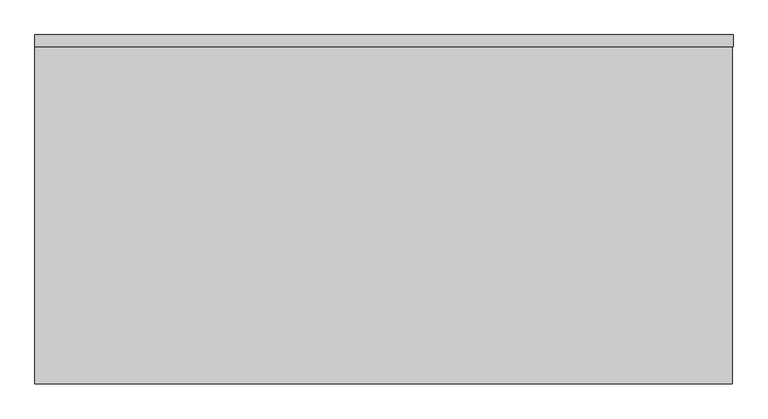
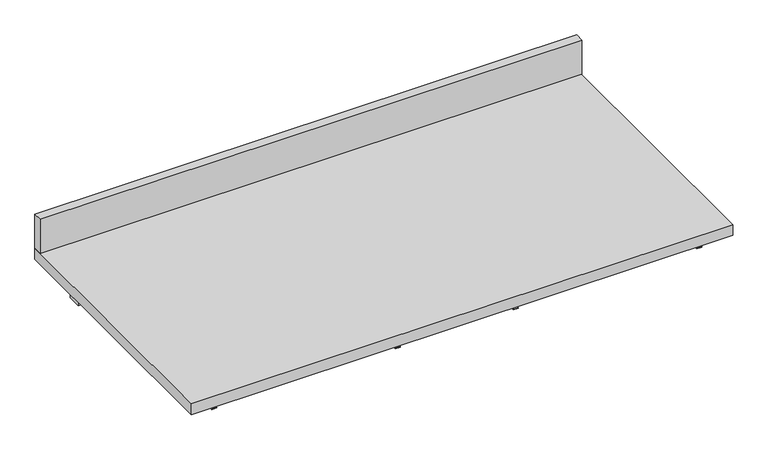
"""IFC4 building model written with IfcOpenShell, lengths in millimetres: furniture geometry."""

from ifc_helpers import new_model, si_unit, frame, origin, place, context, project, spatial, polyline, outline, extrude, source, transform, mapped, element, save


def furniture_053a6174(model_context):
    return source(origin(), model_context, "Body", "SweptSolid", [
        extrude(outline(polyline([(1217.6125, 254.0), (1217.6125, -508.0), (-303.2125, -508.0), (-303.2125, 254.0), (1217.6125, 254.0)])), frame((0.0, 0.0, 882.65), z_axis=(0.0, 0.0, 1.0), x_axis=(1.0, 0.0, 0.0)), (0.0, 0.0, 1.0), 31.75),
        extrude(outline(polyline([(1184.275, 139.7), (1184.275, 101.6), (-269.875, 101.6), (-269.875, 139.7), (1184.275, 139.7)])), frame((0.0, 0.0, 825.5), z_axis=(0.0, 0.0, 1.0), x_axis=(1.0, 0.0, 0.0)), (0.0, 0.0, 1.0), 57.15),
        extrude(outline(polyline([(1219.2, 254.0), (1219.2, 228.6), (-303.2125, 228.6), (-303.2125, 254.0), (1219.2, 254.0)])), frame((0.0, 0.0, 914.4), z_axis=(0.0, 0.0, 1.0), x_axis=(1.0, 0.0, 0.0)), (0.0, 0.0, 1.0), 101.6),
        extrude(outline(polyline([(858.8375, 617.5375), (882.65, 617.5375), (882.65, 615.95), (857.25, 615.95), (857.25, 630.2375), (858.8375, 630.2375), (858.8375, 617.5375)])), frame((0.0, -482.6, 0.0), z_axis=(0.0, 1.0, 0.0), x_axis=(0.0, 0.0, 1.0)), (0.0, 0.0, 1.0), 390.525),
        extrude(outline(polyline([(858.8375, 296.8625), (858.8375, 284.1625), (857.25, 284.1625), (857.25, 298.45), (882.65, 298.45), (882.65, 296.8625), (858.8375, 296.8625)])), frame((0.0, -482.6, 0.0), z_axis=(0.0, 1.0, 0.0), x_axis=(0.0, 0.0, 1.0)), (0.0, 0.0, 1.0), 390.525),
        extrude(outline(polyline([(858.8375, -230.1875), (882.65, -230.1875), (882.65, -231.775), (857.25, -231.775), (857.25, -217.4875), (858.8375, -217.4875), (858.8375, -230.1875)])), frame((0.0, -482.6, 0.0), z_axis=(0.0, 1.0, 0.0), x_axis=(0.0, 0.0, 1.0)), (0.0, 0.0, 1.0), 390.525),
        extrude(outline(polyline([(858.8375, 1144.5875), (858.8375, 1131.8875), (857.25, 1131.8875), (857.25, 1146.175), (882.65, 1146.175), (882.65, 1144.5875), (858.8375, 1144.5875)])), frame((0.0, -482.6, 0.0), z_axis=(0.0, 1.0, 0.0), x_axis=(0.0, 0.0, 1.0)), (0.0, 0.0, 1.0), 390.525),
    ])


if __name__ == "__main__":
    model = new_model("IFC4")
    model_context = context("Model", 3, world=origin())
    ifc_project = project(units=[si_unit("LENGTHUNIT", "METRE", prefix="MILLI")], contexts=[model_context])
    site = spatial("IfcSite", under=ifc_project)
    building = spatial("IfcBuilding", under=site)
    placement = place(None, origin())
    furniture_shape = furniture_053a6174(model_context)
    element("IfcFurniture", 1, at=placement, inside=building, context=model_context, shape_type="MappedRepresentation", body=[
        mapped(furniture_shape, transform((0.0, 0.0, 0.0), x_axis=(1.0, 0.0, 0.0), y_axis=(0.0, 1.0, 0.0), z_axis=(0.0, 0.0, 1.0))),
    ])
    save(model, "model.ifc")
